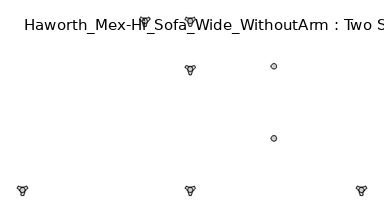
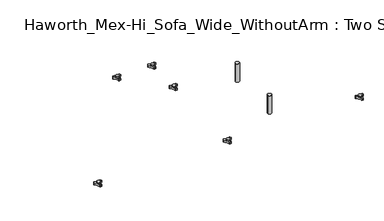
"""IFC4 building model written with IfcOpenShell, lengths in millimetres: furniture geometry, Haworth_Mex-Hi_Sofa_Wide_WithoutArm : Two Seat Sofa."""

from ifc_helpers import new_model, si_unit, point, frame, frame_2d, origin, origin_with_axes, place, context, project, spatial, polyline, circle_curve, trimmed, segment, composite_curve, outline, extrude, source, transform, mapped, element, save
from ifc_brep_helpers import plane_surface, cylinder_surface, revolved_surface, advanced_brep


def haworth_mex_hi_sofa_wide_withoutarm_two_seat_sofa_7cf23597(model_context):
    return source(origin(), model_context, "Body", "SolidModel", [
        advanced_brep(
        [(191.4388063, -633.9963447, 98.611642), (187.2162181, -641.3100819, 98.611642), (187.614167, -642.4761133, 98.611642), (203.4334377, -669.8758983, 98.611642), (204.2442712, -670.8035397, 98.611642), (212.6894498, -670.8035397, 98.611642), (213.493978, -669.7137583, 98.611642), (229.5962311, -642.2119553, 98.611642), (229.7175081, -641.3100836, 98.611642), (225.4949182, -633.9963432, 98.611642), (224.2861347, -633.7579584, 98.611642), (192.6475863, -633.7579584, 98.611642), (217.839737, -648.9168654, 98.611642), (198.9347251, -648.9168654, 98.611642), (191.4388063, -633.9963447, 88.6531552), (192.6475863, -633.7579584, 88.6531552), (224.2861347, -633.7579584, 88.6531552), (225.4949182, -633.9963432, 88.6531552), (229.7175081, -641.3100836, 88.6531552), (229.5962311, -642.2119553, 88.6531552), (213.493978, -669.7137583, 88.6531552), (212.6894498, -670.8035397, 88.6531552), (204.2442712, -670.8035397, 88.6531552), (203.4334377, -669.8758983, 88.6531552), (187.614167, -642.4761133, 88.6531552), (187.2162181, -641.3100819, 88.6531552), (198.9347251, -648.9168654, 103.6569541), (217.839737, -648.9168654, 103.6569541)],
        [
            (0, 1, circle_curve(frame((209.6982944, -649.4142898, 98.611642), z_axis=(0.0, 0.0, 1.0), x_axis=(1.0, 0.0, 0.0)), 23.8981576)),
            (1, 2, circle_curve(frame((188.1437767, -641.6444428, 98.611642), z_axis=(0.0, 0.0, 1.0), x_axis=(1.0, 0.0, 0.0)), 0.9859828)),
            (2, 3, circle_curve(frame((169.218797, -671.3632053, 98.611642), z_axis=(0.0, 0.0, -1.0), x_axis=(1.0, 0.0, 0.0)), 34.246952)),
            (3, 4, circle_curve(frame((204.4184811, -669.8330785, 98.611642), z_axis=(0.0, 0.0, 1.0), x_axis=(1.0, 0.0, 0.0)), 0.9859736)),
            (4, 5, circle_curve(frame((208.4668605, -647.2809943, 98.611642), z_axis=(0.0, 0.0, 1.0), x_axis=(1.0, 0.0, 0.0)), 23.8985439)),
            (5, 6, circle_curve(frame((212.5152379, -669.8330671, 98.611642), z_axis=(0.0, 0.0, 1.0), x_axis=(1.0, 0.0, 0.0)), 0.9859852)),
            (6, 7, circle_curve(frame((247.7156517, -671.285662, 98.611642), z_axis=(0.0, 0.0, -1.0), x_axis=(1.0, 0.0, 0.0)), 34.2577557)),
            (7, 8, circle_curve(frame((228.7899467, -641.644442, 98.611642), z_axis=(0.0, 0.0, 1.0), x_axis=(1.0, 0.0, 0.0)), 0.9859847)),
            (8, 9, circle_curve(frame((207.2358178, -649.4140667, 98.611642), z_axis=(0.0, 0.0, 1.0), x_axis=(1.0, 0.0, 0.0)), 23.8977184)),
            (9, 10, circle_curve(frame((224.7415719, -634.632458, 98.611642), z_axis=(0.0, 0.0, 1.0), x_axis=(1.0, 0.0, 0.0)), 0.9859881)),
            (10, 11, circle_curve(frame((208.4668605, -603.3828618, 98.611642), z_axis=(0.0, 0.0, -1.0), x_axis=(1.0, 0.0, 0.0)), 34.2475683)),
            (11, 0, circle_curve(frame((192.1921512, -634.632454, 98.611642), z_axis=(0.0, 0.0, 1.0), x_axis=(1.0, 0.0, 0.0)), 0.9859835)),
            (12, 13, circle_curve(frame((208.3872311, -648.9168654, 98.611642), z_axis=(0.0, 0.0, -1.0), x_axis=(1.0, 0.0, 0.0)), 9.452506)),
            (13, 12, circle_curve(frame((208.3872311, -648.9168654, 98.611642), z_axis=(0.0, 0.0, -1.0), x_axis=(1.0, 0.0, 0.0)), 9.452506)),
            (14, 15, circle_curve(frame((192.1921512, -634.632454, 88.6531552), z_axis=(0.0, 0.0, -1.0), x_axis=(1.0, 0.0, 0.0)), 0.9859835)),
            (15, 16, circle_curve(frame((208.4668605, -603.3828618, 88.6531552), z_axis=(0.0, 0.0, 1.0), x_axis=(1.0, 0.0, 0.0)), 34.2475683)),
            (16, 17, circle_curve(frame((224.7415719, -634.632458, 88.6531552), z_axis=(0.0, 0.0, -1.0), x_axis=(1.0, 0.0, 0.0)), 0.9859881)),
            (17, 18, circle_curve(frame((207.2358178, -649.4140667, 88.6531552), z_axis=(0.0, 0.0, -1.0), x_axis=(1.0, 0.0, 0.0)), 23.8977184)),
            (18, 19, circle_curve(frame((228.7899467, -641.644442, 88.6531552), z_axis=(0.0, 0.0, -1.0), x_axis=(1.0, 0.0, 0.0)), 0.9859847)),
            (19, 20, circle_curve(frame((247.7156517, -671.285662, 88.6531552), z_axis=(0.0, 0.0, 1.0), x_axis=(1.0, 0.0, 0.0)), 34.2577557)),
            (20, 21, circle_curve(frame((212.5152379, -669.8330671, 88.6531552), z_axis=(0.0, 0.0, -1.0), x_axis=(1.0, 0.0, 0.0)), 0.9859852)),
            (21, 22, circle_curve(frame((208.4668605, -647.2809943, 88.6531552), z_axis=(0.0, 0.0, -1.0), x_axis=(1.0, 0.0, 0.0)), 23.8985439)),
            (22, 23, circle_curve(frame((204.4184811, -669.8330785, 88.6531552), z_axis=(0.0, 0.0, -1.0), x_axis=(1.0, 0.0, 0.0)), 0.9859736)),
            (23, 24, circle_curve(frame((169.218797, -671.3632053, 88.6531552), z_axis=(0.0, 0.0, 1.0), x_axis=(1.0, 0.0, 0.0)), 34.246952)),
            (24, 25, circle_curve(frame((188.1437767, -641.6444428, 88.6531552), z_axis=(0.0, 0.0, -1.0), x_axis=(1.0, 0.0, 0.0)), 0.9859828)),
            (25, 14, circle_curve(frame((209.6982944, -649.4142898, 88.6531552), z_axis=(0.0, 0.0, -1.0), x_axis=(1.0, 0.0, 0.0)), 23.8981576)),
            (26, 27, circle_curve(frame((208.3872311, -648.9168654, 103.6569541), z_axis=(0.0, 0.0, 1.0), x_axis=(1.0, 0.0, 0.0)), 9.452506)),
            (27, 26, circle_curve(frame((208.3872311, -648.9168654, 103.6569541), z_axis=(0.0, 0.0, 1.0), x_axis=(1.0, 0.0, 0.0)), 9.452506)),
            (0, 14),
            (25, 1),
            (24, 2),
            (23, 3),
            (22, 4),
            (21, 5),
            (20, 6),
            (19, 7),
            (18, 8),
            (17, 9),
            (16, 10),
            (15, 11),
            (26, 13),
            (12, 27),
        ],
        [
            plane_surface(frame((233.596452, -649.4142898, 98.611642), z_axis=(0.0, 0.0, 1.0), x_axis=(0.0, 1.0, 0.0))),
            plane_surface(frame((233.596452, -649.4142898, 88.6531552), z_axis=(0.0, 0.0, -1.0), x_axis=(0.0, -1.0, 0.0))),
            plane_surface(frame((217.839737, -648.9168654, 103.6569541), z_axis=(0.0, 0.0, 1.0), x_axis=(0.0, 1.0, 0.0))),
            cylinder_surface(frame((209.6982944, -649.4142898, 88.6531552), z_axis=(0.0, 0.0, 1.0), x_axis=(1.0, 0.0, 0.0)), 23.8981576),
            cylinder_surface(frame((188.1437767, -641.6444428, 88.6531552), z_axis=(0.0, 0.0, 1.0), x_axis=(1.0, 0.0, 0.0)), 0.9859828),
            revolved_surface(polyline([(203.465749, -671.3632053, 88.6531552), (203.465749, -671.3632053, 98.611642)]), (169.218797, -671.3632053, 88.6531552), (0.0, 0.0, -1.0)),
            cylinder_surface(frame((204.4184811, -669.8330785, 88.6531552), z_axis=(0.0, 0.0, 1.0), x_axis=(1.0, 0.0, 0.0)), 0.9859736),
            cylinder_surface(frame((208.4668605, -647.2809943, 88.6531552), z_axis=(0.0, 0.0, 1.0), x_axis=(1.0, 0.0, 0.0)), 23.8985439),
            cylinder_surface(frame((212.5152379, -669.8330671, 88.6531552), z_axis=(0.0, 0.0, 1.0), x_axis=(1.0, 0.0, 0.0)), 0.9859852),
            revolved_surface(polyline([(281.9734074, -671.285662, 88.6531552), (281.9734074, -671.285662, 98.611642)]), (247.7156517, -671.285662, 88.6531552), (0.0, 0.0, -1.0)),
            cylinder_surface(frame((228.7899467, -641.644442, 88.6531552), z_axis=(0.0, 0.0, 1.0), x_axis=(1.0, 0.0, 0.0)), 0.9859847),
            cylinder_surface(frame((207.2358178, -649.4140667, 88.6531552), z_axis=(0.0, 0.0, 1.0), x_axis=(1.0, 0.0, 0.0)), 23.8977184),
            cylinder_surface(frame((224.7415719, -634.632458, 88.6531552), z_axis=(0.0, 0.0, 1.0), x_axis=(1.0, 0.0, 0.0)), 0.9859881),
            revolved_surface(polyline([(242.7144288, -603.3828618, 88.6531552), (242.7144288, -603.3828618, 98.611642)]), (208.4668605, -603.3828618, 88.6531552), (0.0, 0.0, -1.0)),
            cylinder_surface(frame((192.1921512, -634.632454, 88.6531552), z_axis=(0.0, 0.0, 1.0), x_axis=(1.0, 0.0, 0.0)), 0.9859835),
            cylinder_surface(frame((208.3872311, -648.9168654, 98.611642), z_axis=(0.0, 0.0, 1.0), x_axis=(1.0, 0.0, 0.0)), 9.452506),
        ],
        [
            (0, [[1, 2, 3, 4, 5, 6, 7, 8, 9, 10, 11, 12], [13, 14]]),
            (1, [[15, 16, 17, 18, 19, 20, 21, 22, 23, 24, 25, 26]]),
            (2, [[27, 28]]),
            (3, [[-1, 29, -26, 30]]),
            (4, [[-2, -30, -25, 31]]),
            (5, [[-3, -31, -24, 32]]),
            (6, [[-4, -32, -23, 33]]),
            (7, [[-5, -33, -22, 34]]),
            (8, [[-6, -34, -21, 35]]),
            (9, [[-7, -35, -20, 36]]),
            (10, [[-8, -36, -19, 37]]),
            (11, [[-9, -37, -18, 38]]),
            (12, [[-10, -38, -17, 39]]),
            (13, [[-11, -39, -16, 40]]),
            (14, [[-12, -40, -15, -29]]),
            (15, [[-27, 41, -13, 42]]),
            (15, [[-28, -42, -14, -41]]),
        ],
    ),
        advanced_brep(
        [(-519.7611937, -633.9963447, 98.611642), (-523.9837819, -641.3100819, 98.611642), (-523.585833, -642.4761133, 98.611642), (-507.7665623, -669.8758983, 98.611642), (-506.9557288, -670.8035397, 98.611642), (-498.5105502, -670.8035397, 98.611642), (-497.706022, -669.7137583, 98.611642), (-481.6037689, -642.2119553, 98.611642), (-481.4824919, -641.3100836, 98.611642), (-485.7050818, -633.9963432, 98.611642), (-486.9138653, -633.7579584, 98.611642), (-518.5524137, -633.7579584, 98.611642), (-493.360263, -648.9168654, 98.611642), (-512.2652749, -648.9168654, 98.611642), (-519.7611937, -633.9963447, 88.6531552), (-518.5524137, -633.7579584, 88.6531552), (-486.9138653, -633.7579584, 88.6531552), (-485.7050818, -633.9963432, 88.6531552), (-481.4824919, -641.3100836, 88.6531552), (-481.6037689, -642.2119553, 88.6531552), (-497.706022, -669.7137583, 88.6531552), (-498.5105502, -670.8035397, 88.6531552), (-506.9557288, -670.8035397, 88.6531552), (-507.7665623, -669.8758983, 88.6531552), (-523.585833, -642.4761133, 88.6531552), (-523.9837819, -641.3100819, 88.6531552), (-512.2652749, -648.9168654, 103.6569541), (-493.360263, -648.9168654, 103.6569541)],
        [
            (0, 1, circle_curve(frame((-501.5017056, -649.4142898, 98.611642), z_axis=(0.0, 0.0, 1.0), x_axis=(1.0, 0.0, 0.0)), 23.8981576)),
            (1, 2, circle_curve(frame((-523.0562233, -641.6444428, 98.611642), z_axis=(0.0, 0.0, 1.0), x_axis=(1.0, 0.0, 0.0)), 0.9859828)),
            (2, 3, circle_curve(frame((-541.981203, -671.3632053, 98.611642), z_axis=(0.0, 0.0, -1.0), x_axis=(1.0, 0.0, 0.0)), 34.246952)),
            (3, 4, circle_curve(frame((-506.7815189, -669.8330785, 98.611642), z_axis=(0.0, 0.0, 1.0), x_axis=(1.0, 0.0, 0.0)), 0.9859736)),
            (4, 5, circle_curve(frame((-502.7331395, -647.2809943, 98.611642), z_axis=(0.0, 0.0, 1.0), x_axis=(1.0, 0.0, 0.0)), 23.8985439)),
            (5, 6, circle_curve(frame((-498.6847621, -669.8330671, 98.611642), z_axis=(0.0, 0.0, 1.0), x_axis=(1.0, 0.0, 0.0)), 0.9859852)),
            (6, 7, circle_curve(frame((-463.4843483, -671.285662, 98.611642), z_axis=(0.0, 0.0, -1.0), x_axis=(1.0, 0.0, 0.0)), 34.2577557)),
            (7, 8, circle_curve(frame((-482.4100533, -641.644442, 98.611642), z_axis=(0.0, 0.0, 1.0), x_axis=(1.0, 0.0, 0.0)), 0.9859847)),
            (8, 9, circle_curve(frame((-503.9641822, -649.4140667, 98.611642), z_axis=(0.0, 0.0, 1.0), x_axis=(1.0, 0.0, 0.0)), 23.8977184)),
            (9, 10, circle_curve(frame((-486.4584281, -634.632458, 98.611642), z_axis=(0.0, 0.0, 1.0), x_axis=(1.0, 0.0, 0.0)), 0.9859881)),
            (10, 11, circle_curve(frame((-502.7331395, -603.3828618, 98.611642), z_axis=(0.0, 0.0, -1.0), x_axis=(1.0, 0.0, 0.0)), 34.2475683)),
            (11, 0, circle_curve(frame((-519.0078488, -634.632454, 98.611642), z_axis=(0.0, 0.0, 1.0), x_axis=(1.0, 0.0, 0.0)), 0.9859835)),
            (12, 13, circle_curve(frame((-502.8127689, -648.9168654, 98.611642), z_axis=(0.0, 0.0, -1.0), x_axis=(1.0, 0.0, 0.0)), 9.452506)),
            (13, 12, circle_curve(frame((-502.8127689, -648.9168654, 98.611642), z_axis=(0.0, 0.0, -1.0), x_axis=(1.0, 0.0, 0.0)), 9.452506)),
            (14, 15, circle_curve(frame((-519.0078488, -634.632454, 88.6531552), z_axis=(0.0, 0.0, -1.0), x_axis=(1.0, 0.0, 0.0)), 0.9859835)),
            (15, 16, circle_curve(frame((-502.7331395, -603.3828618, 88.6531552), z_axis=(0.0, 0.0, 1.0), x_axis=(1.0, 0.0, 0.0)), 34.2475683)),
            (16, 17, circle_curve(frame((-486.4584281, -634.632458, 88.6531552), z_axis=(0.0, 0.0, -1.0), x_axis=(1.0, 0.0, 0.0)), 0.9859881)),
            (17, 18, circle_curve(frame((-503.9641822, -649.4140667, 88.6531552), z_axis=(0.0, 0.0, -1.0), x_axis=(1.0, 0.0, 0.0)), 23.8977184)),
            (18, 19, circle_curve(frame((-482.4100533, -641.644442, 88.6531552), z_axis=(0.0, 0.0, -1.0), x_axis=(1.0, 0.0, 0.0)), 0.9859847)),
            (19, 20, circle_curve(frame((-463.4843483, -671.285662, 88.6531552), z_axis=(0.0, 0.0, 1.0), x_axis=(1.0, 0.0, 0.0)), 34.2577557)),
            (20, 21, circle_curve(frame((-498.6847621, -669.8330671, 88.6531552), z_axis=(0.0, 0.0, -1.0), x_axis=(1.0, 0.0, 0.0)), 0.9859852)),
            (21, 22, circle_curve(frame((-502.7331395, -647.2809943, 88.6531552), z_axis=(0.0, 0.0, -1.0), x_axis=(1.0, 0.0, 0.0)), 23.8985439)),
            (22, 23, circle_curve(frame((-506.7815189, -669.8330785, 88.6531552), z_axis=(0.0, 0.0, -1.0), x_axis=(1.0, 0.0, 0.0)), 0.9859736)),
            (23, 24, circle_curve(frame((-541.981203, -671.3632053, 88.6531552), z_axis=(0.0, 0.0, 1.0), x_axis=(1.0, 0.0, 0.0)), 34.246952)),
            (24, 25, circle_curve(frame((-523.0562233, -641.6444428, 88.6531552), z_axis=(0.0, 0.0, -1.0), x_axis=(1.0, 0.0, 0.0)), 0.9859828)),
            (25, 14, circle_curve(frame((-501.5017056, -649.4142898, 88.6531552), z_axis=(0.0, 0.0, -1.0), x_axis=(1.0, 0.0, 0.0)), 23.8981576)),
            (26, 27, circle_curve(frame((-502.8127689, -648.9168654, 103.6569541), z_axis=(0.0, 0.0, 1.0), x_axis=(1.0, 0.0, 0.0)), 9.452506)),
            (27, 26, circle_curve(frame((-502.8127689, -648.9168654, 103.6569541), z_axis=(0.0, 0.0, 1.0), x_axis=(1.0, 0.0, 0.0)), 9.452506)),
            (0, 14),
            (25, 1),
            (24, 2),
            (23, 3),
            (22, 4),
            (21, 5),
            (20, 6),
            (19, 7),
            (18, 8),
            (17, 9),
            (16, 10),
            (15, 11),
            (26, 13),
            (12, 27),
        ],
        [
            plane_surface(frame((-477.603548, -649.4142898, 98.611642), z_axis=(0.0, 0.0, 1.0), x_axis=(0.0, 1.0, 0.0))),
            plane_surface(frame((-477.603548, -649.4142898, 88.6531552), z_axis=(0.0, 0.0, -1.0), x_axis=(0.0, -1.0, 0.0))),
            plane_surface(frame((-493.360263, -648.9168654, 103.6569541), z_axis=(0.0, 0.0, 1.0), x_axis=(0.0, 1.0, 0.0))),
            cylinder_surface(frame((-501.5017056, -649.4142898, 88.6531552), z_axis=(0.0, 0.0, 1.0), x_axis=(1.0, 0.0, 0.0)), 23.8981576),
            cylinder_surface(frame((-523.0562233, -641.6444428, 88.6531552), z_axis=(0.0, 0.0, 1.0), x_axis=(1.0, 0.0, 0.0)), 0.9859828),
            revolved_surface(polyline([(-507.73425100000003, -671.3632053, 88.6531552), (-507.73425100000003, -671.3632053, 98.611642)]), (-541.981203, -671.3632053, 88.6531552), (0.0, 0.0, -1.0)),
            cylinder_surface(frame((-506.7815189, -669.8330785, 88.6531552), z_axis=(0.0, 0.0, 1.0), x_axis=(1.0, 0.0, 0.0)), 0.9859736),
            cylinder_surface(frame((-502.7331395, -647.2809943, 88.6531552), z_axis=(0.0, 0.0, 1.0), x_axis=(1.0, 0.0, 0.0)), 23.8985439),
            cylinder_surface(frame((-498.6847621, -669.8330671, 88.6531552), z_axis=(0.0, 0.0, 1.0), x_axis=(1.0, 0.0, 0.0)), 0.9859852),
            revolved_surface(polyline([(-429.2265926, -671.285662, 88.6531552), (-429.2265926, -671.285662, 98.611642)]), (-463.4843483, -671.285662, 88.6531552), (0.0, 0.0, -1.0)),
            cylinder_surface(frame((-482.4100533, -641.644442, 88.6531552), z_axis=(0.0, 0.0, 1.0), x_axis=(1.0, 0.0, 0.0)), 0.9859847),
            cylinder_surface(frame((-503.9641822, -649.4140667, 88.6531552), z_axis=(0.0, 0.0, 1.0), x_axis=(1.0, 0.0, 0.0)), 23.8977184),
            cylinder_surface(frame((-486.4584281, -634.632458, 88.6531552), z_axis=(0.0, 0.0, 1.0), x_axis=(1.0, 0.0, 0.0)), 0.9859881),
            revolved_surface(polyline([(-468.4855712, -603.3828618, 88.6531552), (-468.4855712, -603.3828618, 98.611642)]), (-502.7331395, -603.3828618, 88.6531552), (0.0, 0.0, -1.0)),
            cylinder_surface(frame((-519.0078488, -634.632454, 88.6531552), z_axis=(0.0, 0.0, 1.0), x_axis=(1.0, 0.0, 0.0)), 0.9859835),
            cylinder_surface(frame((-502.8127689, -648.9168654, 98.611642), z_axis=(0.0, 0.0, 1.0), x_axis=(1.0, 0.0, 0.0)), 9.452506),
        ],
        [
            (0, [[1, 2, 3, 4, 5, 6, 7, 8, 9, 10, 11, 12], [13, 14]]),
            (1, [[15, 16, 17, 18, 19, 20, 21, 22, 23, 24, 25, 26]]),
            (2, [[27, 28]]),
            (3, [[-1, 29, -26, 30]]),
            (4, [[-2, -30, -25, 31]]),
            (5, [[-3, -31, -24, 32]]),
            (6, [[-4, -32, -23, 33]]),
            (7, [[-5, -33, -22, 34]]),
            (8, [[-6, -34, -21, 35]]),
            (9, [[-7, -35, -20, 36]]),
            (10, [[-8, -36, -19, 37]]),
            (11, [[-9, -37, -18, 38]]),
            (12, [[-10, -38, -17, 39]]),
            (13, [[-11, -39, -16, 40]]),
            (14, [[-12, -40, -15, -29]]),
            (15, [[-27, 41, -13, 42]]),
            (15, [[-28, -42, -14, -41]]),
        ],
    ),
        advanced_brep(
        [(-519.7611937, -130.2721038, 98.611642), (-523.9837819, -137.585841, 98.611642), (-523.585833, -138.7518724, 98.611642), (-507.7665623, -166.1516574, 98.611642), (-506.9557288, -167.0792988, 98.611642), (-498.5105502, -167.0792988, 98.611642), (-497.706022, -165.9895174, 98.611642), (-481.6037689, -138.4877144, 98.611642), (-481.4824919, -137.5858427, 98.611642), (-485.7050818, -130.2721023, 98.611642), (-486.9138653, -130.0337175, 98.611642), (-518.5524137, -130.0337175, 98.611642), (-493.360263, -145.1926245, 98.611642), (-512.2652749, -145.1926245, 98.611642), (-519.7611937, -130.2721038, 88.6531552), (-518.5524137, -130.0337175, 88.6531552), (-486.9138653, -130.0337175, 88.6531552), (-485.7050818, -130.2721023, 88.6531552), (-481.4824919, -137.5858427, 88.6531552), (-481.6037689, -138.4877144, 88.6531552), (-497.706022, -165.9895174, 88.6531552), (-498.5105502, -167.0792988, 88.6531552), (-506.9557288, -167.0792988, 88.6531552), (-507.7665623, -166.1516574, 88.6531552), (-523.585833, -138.7518724, 88.6531552), (-523.9837819, -137.585841, 88.6531552), (-512.2652749, -145.1926245, 103.6569541), (-493.360263, -145.1926245, 103.6569541)],
        [
            (0, 1, circle_curve(frame((-501.5017056, -145.690049, 98.611642), z_axis=(0.0, 0.0, 1.0), x_axis=(1.0, 0.0, 0.0)), 23.8981576)),
            (1, 2, circle_curve(frame((-523.0562233, -137.920202, 98.611642), z_axis=(0.0, 0.0, 1.0), x_axis=(1.0, 0.0, 0.0)), 0.9859828)),
            (2, 3, circle_curve(frame((-541.981203, -167.6389644, 98.611642), z_axis=(0.0, 0.0, -1.0), x_axis=(1.0, 0.0, 0.0)), 34.246952)),
            (3, 4, circle_curve(frame((-506.7815189, -166.1088376, 98.611642), z_axis=(0.0, 0.0, 1.0), x_axis=(1.0, 0.0, 0.0)), 0.9859736)),
            (4, 5, circle_curve(frame((-502.7331395, -143.5567534, 98.611642), z_axis=(0.0, 0.0, 1.0), x_axis=(1.0, 0.0, 0.0)), 23.8985439)),
            (5, 6, circle_curve(frame((-498.6847621, -166.1088262, 98.611642), z_axis=(0.0, 0.0, 1.0), x_axis=(1.0, 0.0, 0.0)), 0.9859852)),
            (6, 7, circle_curve(frame((-463.4843483, -167.5614211, 98.611642), z_axis=(0.0, 0.0, -1.0), x_axis=(1.0, 0.0, 0.0)), 34.2577557)),
            (7, 8, circle_curve(frame((-482.4100533, -137.9202011, 98.611642), z_axis=(0.0, 0.0, 1.0), x_axis=(1.0, 0.0, 0.0)), 0.9859847)),
            (8, 9, circle_curve(frame((-503.9641822, -145.6898258, 98.611642), z_axis=(0.0, 0.0, 1.0), x_axis=(1.0, 0.0, 0.0)), 23.8977184)),
            (9, 10, circle_curve(frame((-486.4584281, -130.9082171, 98.611642), z_axis=(0.0, 0.0, 1.0), x_axis=(1.0, 0.0, 0.0)), 0.9859881)),
            (10, 11, circle_curve(frame((-502.7331395, -99.6586209, 98.611642), z_axis=(0.0, 0.0, -1.0), x_axis=(1.0, 0.0, 0.0)), 34.2475683)),
            (11, 0, circle_curve(frame((-519.0078488, -130.9082131, 98.611642), z_axis=(0.0, 0.0, 1.0), x_axis=(1.0, 0.0, 0.0)), 0.9859835)),
            (12, 13, circle_curve(frame((-502.8127689, -145.1926245, 98.611642), z_axis=(0.0, 0.0, -1.0), x_axis=(1.0, 0.0, 0.0)), 9.452506)),
            (13, 12, circle_curve(frame((-502.8127689, -145.1926245, 98.611642), z_axis=(0.0, 0.0, -1.0), x_axis=(1.0, 0.0, 0.0)), 9.452506)),
            (14, 15, circle_curve(frame((-519.0078488, -130.9082131, 88.6531552), z_axis=(0.0, 0.0, -1.0), x_axis=(1.0, 0.0, 0.0)), 0.9859835)),
            (15, 16, circle_curve(frame((-502.7331395, -99.6586209, 88.6531552), z_axis=(0.0, 0.0, 1.0), x_axis=(1.0, 0.0, 0.0)), 34.2475683)),
            (16, 17, circle_curve(frame((-486.4584281, -130.9082171, 88.6531552), z_axis=(0.0, 0.0, -1.0), x_axis=(1.0, 0.0, 0.0)), 0.9859881)),
            (17, 18, circle_curve(frame((-503.9641822, -145.6898258, 88.6531552), z_axis=(0.0, 0.0, -1.0), x_axis=(1.0, 0.0, 0.0)), 23.8977184)),
            (18, 19, circle_curve(frame((-482.4100533, -137.9202011, 88.6531552), z_axis=(0.0, 0.0, -1.0), x_axis=(1.0, 0.0, 0.0)), 0.9859847)),
            (19, 20, circle_curve(frame((-463.4843483, -167.5614211, 88.6531552), z_axis=(0.0, 0.0, 1.0), x_axis=(1.0, 0.0, 0.0)), 34.2577557)),
            (20, 21, circle_curve(frame((-498.6847621, -166.1088262, 88.6531552), z_axis=(0.0, 0.0, -1.0), x_axis=(1.0, 0.0, 0.0)), 0.9859852)),
            (21, 22, circle_curve(frame((-502.7331395, -143.5567534, 88.6531552), z_axis=(0.0, 0.0, -1.0), x_axis=(1.0, 0.0, 0.0)), 23.8985439)),
            (22, 23, circle_curve(frame((-506.7815189, -166.1088376, 88.6531552), z_axis=(0.0, 0.0, -1.0), x_axis=(1.0, 0.0, 0.0)), 0.9859736)),
            (23, 24, circle_curve(frame((-541.981203, -167.6389644, 88.6531552), z_axis=(0.0, 0.0, 1.0), x_axis=(1.0, 0.0, 0.0)), 34.246952)),
            (24, 25, circle_curve(frame((-523.0562233, -137.920202, 88.6531552), z_axis=(0.0, 0.0, -1.0), x_axis=(1.0, 0.0, 0.0)), 0.9859828)),
            (25, 14, circle_curve(frame((-501.5017056, -145.690049, 88.6531552), z_axis=(0.0, 0.0, -1.0), x_axis=(1.0, 0.0, 0.0)), 23.8981576)),
            (26, 27, circle_curve(frame((-502.8127689, -145.1926245, 103.6569541), z_axis=(0.0, 0.0, 1.0), x_axis=(1.0, 0.0, 0.0)), 9.452506)),
            (27, 26, circle_curve(frame((-502.8127689, -145.1926245, 103.6569541), z_axis=(0.0, 0.0, 1.0), x_axis=(1.0, 0.0, 0.0)), 9.452506)),
            (0, 14),
            (25, 1),
            (24, 2),
            (23, 3),
            (22, 4),
            (21, 5),
            (20, 6),
            (19, 7),
            (18, 8),
            (17, 9),
            (16, 10),
            (15, 11),
            (26, 13),
            (12, 27),
        ],
        [
            plane_surface(frame((-477.603548, -145.690049, 98.611642), z_axis=(0.0, 0.0, 1.0), x_axis=(0.0, 1.0, 0.0))),
            plane_surface(frame((-477.603548, -145.690049, 88.6531552), z_axis=(0.0, 0.0, -1.0), x_axis=(0.0, -1.0, 0.0))),
            plane_surface(frame((-493.360263, -145.1926245, 103.6569541), z_axis=(0.0, 0.0, 1.0), x_axis=(0.0, 1.0, 0.0))),
            cylinder_surface(frame((-501.5017056, -145.690049, 88.6531552), z_axis=(0.0, 0.0, 1.0), x_axis=(1.0, 0.0, 0.0)), 23.8981576),
            cylinder_surface(frame((-523.0562233, -137.920202, 88.6531552), z_axis=(0.0, 0.0, 1.0), x_axis=(1.0, 0.0, 0.0)), 0.9859828),
            revolved_surface(polyline([(-507.73425100000003, -167.6389644, 88.6531552), (-507.73425100000003, -167.6389644, 98.611642)]), (-541.981203, -167.6389644, 88.6531552), (0.0, 0.0, -1.0)),
            cylinder_surface(frame((-506.7815189, -166.1088376, 88.6531552), z_axis=(0.0, 0.0, 1.0), x_axis=(1.0, 0.0, 0.0)), 0.9859736),
            cylinder_surface(frame((-502.7331395, -143.5567534, 88.6531552), z_axis=(0.0, 0.0, 1.0), x_axis=(1.0, 0.0, 0.0)), 23.8985439),
            cylinder_surface(frame((-498.6847621, -166.1088262, 88.6531552), z_axis=(0.0, 0.0, 1.0), x_axis=(1.0, 0.0, 0.0)), 0.9859852),
            revolved_surface(polyline([(-429.2265926, -167.5614211, 88.6531552), (-429.2265926, -167.5614211, 98.611642)]), (-463.4843483, -167.5614211, 88.6531552), (0.0, 0.0, -1.0)),
            cylinder_surface(frame((-482.4100533, -137.9202011, 88.6531552), z_axis=(0.0, 0.0, 1.0), x_axis=(1.0, 0.0, 0.0)), 0.9859847),
            cylinder_surface(frame((-503.9641822, -145.6898258, 88.6531552), z_axis=(0.0, 0.0, 1.0), x_axis=(1.0, 0.0, 0.0)), 23.8977184),
            cylinder_surface(frame((-486.4584281, -130.9082171, 88.6531552), z_axis=(0.0, 0.0, 1.0), x_axis=(1.0, 0.0, 0.0)), 0.9859881),
            revolved_surface(polyline([(-468.4855712, -99.6586209, 88.6531552), (-468.4855712, -99.6586209, 98.611642)]), (-502.7331395, -99.6586209, 88.6531552), (0.0, 0.0, -1.0)),
            cylinder_surface(frame((-519.0078488, -130.9082131, 88.6531552), z_axis=(0.0, 0.0, 1.0), x_axis=(1.0, 0.0, 0.0)), 0.9859835),
            cylinder_surface(frame((-502.8127689, -145.1926245, 98.611642), z_axis=(0.0, 0.0, 1.0), x_axis=(1.0, 0.0, 0.0)), 9.452506),
        ],
        [
            (0, [[1, 2, 3, 4, 5, 6, 7, 8, 9, 10, 11, 12], [13, 14]]),
            (1, [[15, 16, 17, 18, 19, 20, 21, 22, 23, 24, 25, 26]]),
            (2, [[27, 28]]),
            (3, [[-1, 29, -26, 30]]),
            (4, [[-2, -30, -25, 31]]),
            (5, [[-3, -31, -24, 32]]),
            (6, [[-4, -32, -23, 33]]),
            (7, [[-5, -33, -22, 34]]),
            (8, [[-6, -34, -21, 35]]),
            (9, [[-7, -35, -20, 36]]),
            (10, [[-8, -36, -19, 37]]),
            (11, [[-9, -37, -18, 38]]),
            (12, [[-10, -38, -17, 39]]),
            (13, [[-11, -39, -16, 40]]),
            (14, [[-12, -40, -15, -29]]),
            (15, [[-27, 41, -13, 42]]),
            (15, [[-28, -42, -14, -41]]),
        ],
    ),
        advanced_brep(
        [(-519.7611937, 69.7278978, 98.611642), (-523.9837819, 62.4141605, 98.611642), (-523.585833, 61.2481292, 98.611642), (-507.7665623, 33.8483441, 98.611642), (-506.9557288, 32.9207027, 98.611642), (-498.5105502, 32.9207027, 98.611642), (-497.706022, 34.0104841, 98.611642), (-481.6037689, 61.5122871, 98.611642), (-481.4824919, 62.4141588, 98.611642), (-485.7050818, 69.7278992, 98.611642), (-486.9138653, 69.966284, 98.611642), (-518.5524137, 69.966284, 98.611642), (-493.360263, 54.807377, 98.611642), (-512.2652749, 54.807377, 98.611642), (-519.7611937, 69.7278978, 88.6531552), (-518.5524137, 69.966284, 88.6531552), (-486.9138653, 69.966284, 88.6531552), (-485.7050818, 69.7278992, 88.6531552), (-481.4824919, 62.4141588, 88.6531552), (-481.6037689, 61.5122871, 88.6531552), (-497.706022, 34.0104841, 88.6531552), (-498.5105502, 32.9207027, 88.6531552), (-506.9557288, 32.9207027, 88.6531552), (-507.7665623, 33.8483441, 88.6531552), (-523.585833, 61.2481292, 88.6531552), (-523.9837819, 62.4141605, 88.6531552), (-512.2652749, 54.807377, 103.6569541), (-493.360263, 54.807377, 103.6569541)],
        [
            (0, 1, circle_curve(frame((-501.5017056, 54.3099526, 98.611642), z_axis=(0.0, 0.0, 1.0), x_axis=(1.0, 0.0, 0.0)), 23.8981576)),
            (1, 2, circle_curve(frame((-523.0562233, 62.0797996, 98.611642), z_axis=(0.0, 0.0, 1.0), x_axis=(1.0, 0.0, 0.0)), 0.9859828)),
            (2, 3, circle_curve(frame((-541.981203, 32.3610372, 98.611642), z_axis=(0.0, 0.0, -1.0), x_axis=(1.0, 0.0, 0.0)), 34.246952)),
            (3, 4, circle_curve(frame((-506.7815189, 33.8911639, 98.611642), z_axis=(0.0, 0.0, 1.0), x_axis=(1.0, 0.0, 0.0)), 0.9859736)),
            (4, 5, circle_curve(frame((-502.7331395, 56.4432481, 98.611642), z_axis=(0.0, 0.0, 1.0), x_axis=(1.0, 0.0, 0.0)), 23.8985439)),
            (5, 6, circle_curve(frame((-498.6847621, 33.8911753, 98.611642), z_axis=(0.0, 0.0, 1.0), x_axis=(1.0, 0.0, 0.0)), 0.9859852)),
            (6, 7, circle_curve(frame((-463.4843483, 32.4385804, 98.611642), z_axis=(0.0, 0.0, -1.0), x_axis=(1.0, 0.0, 0.0)), 34.2577557)),
            (7, 8, circle_curve(frame((-482.4100533, 62.0798004, 98.611642), z_axis=(0.0, 0.0, 1.0), x_axis=(1.0, 0.0, 0.0)), 0.9859847)),
            (8, 9, circle_curve(frame((-503.9641822, 54.3101757, 98.611642), z_axis=(0.0, 0.0, 1.0), x_axis=(1.0, 0.0, 0.0)), 23.8977184)),
            (9, 10, circle_curve(frame((-486.4584281, 69.0917844, 98.611642), z_axis=(0.0, 0.0, 1.0), x_axis=(1.0, 0.0, 0.0)), 0.9859881)),
            (10, 11, circle_curve(frame((-502.7331395, 100.3413806, 98.611642), z_axis=(0.0, 0.0, -1.0), x_axis=(1.0, 0.0, 0.0)), 34.2475683)),
            (11, 0, circle_curve(frame((-519.0078488, 69.0917885, 98.611642), z_axis=(0.0, 0.0, 1.0), x_axis=(1.0, 0.0, 0.0)), 0.9859835)),
            (12, 13, circle_curve(frame((-502.8127689, 54.807377, 98.611642), z_axis=(0.0, 0.0, -1.0), x_axis=(1.0, 0.0, 0.0)), 9.452506)),
            (13, 12, circle_curve(frame((-502.8127689, 54.807377, 98.611642), z_axis=(0.0, 0.0, -1.0), x_axis=(1.0, 0.0, 0.0)), 9.452506)),
            (14, 15, circle_curve(frame((-519.0078488, 69.0917885, 88.6531552), z_axis=(0.0, 0.0, -1.0), x_axis=(1.0, 0.0, 0.0)), 0.9859835)),
            (15, 16, circle_curve(frame((-502.7331395, 100.3413806, 88.6531552), z_axis=(0.0, 0.0, 1.0), x_axis=(1.0, 0.0, 0.0)), 34.2475683)),
            (16, 17, circle_curve(frame((-486.4584281, 69.0917844, 88.6531552), z_axis=(0.0, 0.0, -1.0), x_axis=(1.0, 0.0, 0.0)), 0.9859881)),
            (17, 18, circle_curve(frame((-503.9641822, 54.3101757, 88.6531552), z_axis=(0.0, 0.0, -1.0), x_axis=(1.0, 0.0, 0.0)), 23.8977184)),
            (18, 19, circle_curve(frame((-482.4100533, 62.0798004, 88.6531552), z_axis=(0.0, 0.0, -1.0), x_axis=(1.0, 0.0, 0.0)), 0.9859847)),
            (19, 20, circle_curve(frame((-463.4843483, 32.4385804, 88.6531552), z_axis=(0.0, 0.0, 1.0), x_axis=(1.0, 0.0, 0.0)), 34.2577557)),
            (20, 21, circle_curve(frame((-498.6847621, 33.8911753, 88.6531552), z_axis=(0.0, 0.0, -1.0), x_axis=(1.0, 0.0, 0.0)), 0.9859852)),
            (21, 22, circle_curve(frame((-502.7331395, 56.4432481, 88.6531552), z_axis=(0.0, 0.0, -1.0), x_axis=(1.0, 0.0, 0.0)), 23.8985439)),
            (22, 23, circle_curve(frame((-506.7815189, 33.8911639, 88.6531552), z_axis=(0.0, 0.0, -1.0), x_axis=(1.0, 0.0, 0.0)), 0.9859736)),
            (23, 24, circle_curve(frame((-541.981203, 32.3610372, 88.6531552), z_axis=(0.0, 0.0, 1.0), x_axis=(1.0, 0.0, 0.0)), 34.246952)),
            (24, 25, circle_curve(frame((-523.0562233, 62.0797996, 88.6531552), z_axis=(0.0, 0.0, -1.0), x_axis=(1.0, 0.0, 0.0)), 0.9859828)),
            (25, 14, circle_curve(frame((-501.5017056, 54.3099526, 88.6531552), z_axis=(0.0, 0.0, -1.0), x_axis=(1.0, 0.0, 0.0)), 23.8981576)),
            (26, 27, circle_curve(frame((-502.8127689, 54.807377, 103.6569541), z_axis=(0.0, 0.0, 1.0), x_axis=(1.0, 0.0, 0.0)), 9.452506)),
            (27, 26, circle_curve(frame((-502.8127689, 54.807377, 103.6569541), z_axis=(0.0, 0.0, 1.0), x_axis=(1.0, 0.0, 0.0)), 9.452506)),
            (0, 14),
            (25, 1),
            (24, 2),
            (23, 3),
            (22, 4),
            (21, 5),
            (20, 6),
            (19, 7),
            (18, 8),
            (17, 9),
            (16, 10),
            (15, 11),
            (26, 13),
            (12, 27),
        ],
        [
            plane_surface(frame((-477.603548, 54.3099526, 98.611642), z_axis=(0.0, 0.0, 1.0), x_axis=(0.0, 1.0, 0.0))),
            plane_surface(frame((-477.603548, 54.3099526, 88.6531552), z_axis=(0.0, 0.0, -1.0), x_axis=(0.0, -1.0, 0.0))),
            plane_surface(frame((-493.360263, 54.807377, 103.6569541), z_axis=(0.0, 0.0, 1.0), x_axis=(0.0, 1.0, 0.0))),
            cylinder_surface(frame((-501.5017056, 54.3099526, 88.6531552), z_axis=(0.0, 0.0, 1.0), x_axis=(1.0, 0.0, 0.0)), 23.8981576),
            cylinder_surface(frame((-523.0562233, 62.0797996, 88.6531552), z_axis=(0.0, 0.0, 1.0), x_axis=(1.0, 0.0, 0.0)), 0.9859828),
            revolved_surface(polyline([(-507.73425100000003, 32.3610372, 88.6531552), (-507.73425100000003, 32.3610372, 98.611642)]), (-541.981203, 32.3610372, 88.6531552), (0.0, 0.0, -1.0)),
            cylinder_surface(frame((-506.7815189, 33.8911639, 88.6531552), z_axis=(0.0, 0.0, 1.0), x_axis=(1.0, 0.0, 0.0)), 0.9859736),
            cylinder_surface(frame((-502.7331395, 56.4432481, 88.6531552), z_axis=(0.0, 0.0, 1.0), x_axis=(1.0, 0.0, 0.0)), 23.8985439),
            cylinder_surface(frame((-498.6847621, 33.8911753, 88.6531552), z_axis=(0.0, 0.0, 1.0), x_axis=(1.0, 0.0, 0.0)), 0.9859852),
            revolved_surface(polyline([(-429.2265926, 32.4385804, 88.6531552), (-429.2265926, 32.4385804, 98.611642)]), (-463.4843483, 32.4385804, 88.6531552), (0.0, 0.0, -1.0)),
            cylinder_surface(frame((-482.4100533, 62.0798004, 88.6531552), z_axis=(0.0, 0.0, 1.0), x_axis=(1.0, 0.0, 0.0)), 0.9859847),
            cylinder_surface(frame((-503.9641822, 54.3101757, 88.6531552), z_axis=(0.0, 0.0, 1.0), x_axis=(1.0, 0.0, 0.0)), 23.8977184),
            cylinder_surface(frame((-486.4584281, 69.0917844, 88.6531552), z_axis=(0.0, 0.0, 1.0), x_axis=(1.0, 0.0, 0.0)), 0.9859881),
            revolved_surface(polyline([(-468.4855712, 100.3413806, 88.6531552), (-468.4855712, 100.3413806, 98.611642)]), (-502.7331395, 100.3413806, 88.6531552), (0.0, 0.0, -1.0)),
            cylinder_surface(frame((-519.0078488, 69.0917885, 88.6531552), z_axis=(0.0, 0.0, 1.0), x_axis=(1.0, 0.0, 0.0)), 0.9859835),
            cylinder_surface(frame((-502.8127689, 54.807377, 98.611642), z_axis=(0.0, 0.0, 1.0), x_axis=(1.0, 0.0, 0.0)), 9.452506),
        ],
        [
            (0, [[1, 2, 3, 4, 5, 6, 7, 8, 9, 10, 11, 12], [13, 14]]),
            (1, [[15, 16, 17, 18, 19, 20, 21, 22, 23, 24, 25, 26]]),
            (2, [[27, 28]]),
            (3, [[-1, 29, -26, 30]]),
            (4, [[-2, -30, -25, 31]]),
            (5, [[-3, -31, -24, 32]]),
            (6, [[-4, -32, -23, 33]]),
            (7, [[-5, -33, -22, 34]]),
            (8, [[-6, -34, -21, 35]]),
            (9, [[-7, -35, -20, 36]]),
            (10, [[-8, -36, -19, 37]]),
            (11, [[-9, -37, -18, 38]]),
            (12, [[-10, -38, -17, 39]]),
            (13, [[-11, -39, -16, 40]]),
            (14, [[-12, -40, -15, -29]]),
            (15, [[-27, 41, -13, 42]]),
            (15, [[-28, -42, -14, -41]]),
        ],
    ),
        advanced_brep(
        [(-708.6567178, 69.7278978, 98.611642), (-712.879306, 62.4141605, 98.611642), (-712.4813572, 61.2481292, 98.611642), (-696.6620864, 33.8483441, 98.611642), (-695.8512529, 32.9207027, 98.611642), (-687.4060744, 32.9207027, 98.611642), (-686.6015461, 34.0104841, 98.611642), (-670.4992931, 61.5122871, 98.611642), (-670.378016, 62.4141588, 98.611642), (-674.600606, 69.7278992, 98.611642), (-675.8093894, 69.966284, 98.611642), (-707.4479379, 69.966284, 98.611642), (-682.2557871, 54.807377, 98.611642), (-701.160799, 54.807377, 98.611642), (-708.6567178, 69.7278978, 88.6531552), (-707.4479379, 69.966284, 88.6531552), (-675.8093894, 69.966284, 88.6531552), (-674.600606, 69.7278992, 88.6531552), (-670.378016, 62.4141588, 88.6531552), (-670.4992931, 61.5122871, 88.6531552), (-686.6015461, 34.0104841, 88.6531552), (-687.4060744, 32.9207027, 88.6531552), (-695.8512529, 32.9207027, 88.6531552), (-696.6620864, 33.8483441, 88.6531552), (-712.4813572, 61.2481292, 88.6531552), (-712.879306, 62.4141605, 88.6531552), (-701.160799, 54.807377, 103.6569541), (-682.2557871, 54.807377, 103.6569541)],
        [
            (0, 1, circle_curve(frame((-690.3972298, 54.3099526, 98.611642), z_axis=(0.0, 0.0, 1.0), x_axis=(1.0, 0.0, 0.0)), 23.8981576)),
            (1, 2, circle_curve(frame((-711.9517474, 62.0797996, 98.611642), z_axis=(0.0, 0.0, 1.0), x_axis=(1.0, 0.0, 0.0)), 0.9859828)),
            (2, 3, circle_curve(frame((-730.8767271, 32.3610372, 98.611642), z_axis=(0.0, 0.0, -1.0), x_axis=(1.0, 0.0, 0.0)), 34.246952)),
            (3, 4, circle_curve(frame((-695.6770431, 33.8911639, 98.611642), z_axis=(0.0, 0.0, 1.0), x_axis=(1.0, 0.0, 0.0)), 0.9859736)),
            (4, 5, circle_curve(frame((-691.6286636, 56.4432481, 98.611642), z_axis=(0.0, 0.0, 1.0), x_axis=(1.0, 0.0, 0.0)), 23.8985439)),
            (5, 6, circle_curve(frame((-687.5802862, 33.8911753, 98.611642), z_axis=(0.0, 0.0, 1.0), x_axis=(1.0, 0.0, 0.0)), 0.9859852)),
            (6, 7, circle_curve(frame((-652.3798725, 32.4385804, 98.611642), z_axis=(0.0, 0.0, -1.0), x_axis=(1.0, 0.0, 0.0)), 34.2577557)),
            (7, 8, circle_curve(frame((-671.3055775, 62.0798004, 98.611642), z_axis=(0.0, 0.0, 1.0), x_axis=(1.0, 0.0, 0.0)), 0.9859847)),
            (8, 9, circle_curve(frame((-692.8597064, 54.3101757, 98.611642), z_axis=(0.0, 0.0, 1.0), x_axis=(1.0, 0.0, 0.0)), 23.8977184)),
            (9, 10, circle_curve(frame((-675.3539522, 69.0917844, 98.611642), z_axis=(0.0, 0.0, 1.0), x_axis=(1.0, 0.0, 0.0)), 0.9859881)),
            (10, 11, circle_curve(frame((-691.6286636, 100.3413806, 98.611642), z_axis=(0.0, 0.0, -1.0), x_axis=(1.0, 0.0, 0.0)), 34.2475683)),
            (11, 0, circle_curve(frame((-707.9033729, 69.0917885, 98.611642), z_axis=(0.0, 0.0, 1.0), x_axis=(1.0, 0.0, 0.0)), 0.9859835)),
            (12, 13, circle_curve(frame((-691.7082931, 54.807377, 98.611642), z_axis=(0.0, 0.0, -1.0), x_axis=(1.0, 0.0, 0.0)), 9.452506)),
            (13, 12, circle_curve(frame((-691.7082931, 54.807377, 98.611642), z_axis=(0.0, 0.0, -1.0), x_axis=(1.0, 0.0, 0.0)), 9.452506)),
            (14, 15, circle_curve(frame((-707.9033729, 69.0917885, 88.6531552), z_axis=(0.0, 0.0, -1.0), x_axis=(1.0, 0.0, 0.0)), 0.9859835)),
            (15, 16, circle_curve(frame((-691.6286636, 100.3413806, 88.6531552), z_axis=(0.0, 0.0, 1.0), x_axis=(1.0, 0.0, 0.0)), 34.2475683)),
            (16, 17, circle_curve(frame((-675.3539522, 69.0917844, 88.6531552), z_axis=(0.0, 0.0, -1.0), x_axis=(1.0, 0.0, 0.0)), 0.9859881)),
            (17, 18, circle_curve(frame((-692.8597064, 54.3101757, 88.6531552), z_axis=(0.0, 0.0, -1.0), x_axis=(1.0, 0.0, 0.0)), 23.8977184)),
            (18, 19, circle_curve(frame((-671.3055775, 62.0798004, 88.6531552), z_axis=(0.0, 0.0, -1.0), x_axis=(1.0, 0.0, 0.0)), 0.9859847)),
            (19, 20, circle_curve(frame((-652.3798725, 32.4385804, 88.6531552), z_axis=(0.0, 0.0, 1.0), x_axis=(1.0, 0.0, 0.0)), 34.2577557)),
            (20, 21, circle_curve(frame((-687.5802862, 33.8911753, 88.6531552), z_axis=(0.0, 0.0, -1.0), x_axis=(1.0, 0.0, 0.0)), 0.9859852)),
            (21, 22, circle_curve(frame((-691.6286636, 56.4432481, 88.6531552), z_axis=(0.0, 0.0, -1.0), x_axis=(1.0, 0.0, 0.0)), 23.8985439)),
            (22, 23, circle_curve(frame((-695.6770431, 33.8911639, 88.6531552), z_axis=(0.0, 0.0, -1.0), x_axis=(1.0, 0.0, 0.0)), 0.9859736)),
            (23, 24, circle_curve(frame((-730.8767271, 32.3610372, 88.6531552), z_axis=(0.0, 0.0, 1.0), x_axis=(1.0, 0.0, 0.0)), 34.246952)),
            (24, 25, circle_curve(frame((-711.9517474, 62.0797996, 88.6531552), z_axis=(0.0, 0.0, -1.0), x_axis=(1.0, 0.0, 0.0)), 0.9859828)),
            (25, 14, circle_curve(frame((-690.3972298, 54.3099526, 88.6531552), z_axis=(0.0, 0.0, -1.0), x_axis=(1.0, 0.0, 0.0)), 23.8981576)),
            (26, 27, circle_curve(frame((-691.7082931, 54.807377, 103.6569541), z_axis=(0.0, 0.0, 1.0), x_axis=(1.0, 0.0, 0.0)), 9.452506)),
            (27, 26, circle_curve(frame((-691.7082931, 54.807377, 103.6569541), z_axis=(0.0, 0.0, 1.0), x_axis=(1.0, 0.0, 0.0)), 9.452506)),
            (0, 14),
            (25, 1),
            (24, 2),
            (23, 3),
            (22, 4),
            (21, 5),
            (20, 6),
            (19, 7),
            (18, 8),
            (17, 9),
            (16, 10),
            (15, 11),
            (26, 13),
            (12, 27),
        ],
        [
            plane_surface(frame((-666.4990722, 54.3099526, 98.611642), z_axis=(0.0, 0.0, 1.0), x_axis=(0.0, 1.0, 0.0))),
            plane_surface(frame((-666.4990722, 54.3099526, 88.6531552), z_axis=(0.0, 0.0, -1.0), x_axis=(0.0, -1.0, 0.0))),
            plane_surface(frame((-682.2557871, 54.807377, 103.6569541), z_axis=(0.0, 0.0, 1.0), x_axis=(0.0, 1.0, 0.0))),
            cylinder_surface(frame((-690.3972298, 54.3099526, 88.6531552), z_axis=(0.0, 0.0, 1.0), x_axis=(1.0, 0.0, 0.0)), 23.8981576),
            cylinder_surface(frame((-711.9517474, 62.0797996, 88.6531552), z_axis=(0.0, 0.0, 1.0), x_axis=(1.0, 0.0, 0.0)), 0.9859828),
            revolved_surface(polyline([(-696.6297751000001, 32.3610372, 88.6531552), (-696.6297751000001, 32.3610372, 98.611642)]), (-730.8767271, 32.3610372, 88.6531552), (0.0, 0.0, -1.0)),
            cylinder_surface(frame((-695.6770431, 33.8911639, 88.6531552), z_axis=(0.0, 0.0, 1.0), x_axis=(1.0, 0.0, 0.0)), 0.9859736),
            cylinder_surface(frame((-691.6286636, 56.4432481, 88.6531552), z_axis=(0.0, 0.0, 1.0), x_axis=(1.0, 0.0, 0.0)), 23.8985439),
            cylinder_surface(frame((-687.5802862, 33.8911753, 88.6531552), z_axis=(0.0, 0.0, 1.0), x_axis=(1.0, 0.0, 0.0)), 0.9859852),
            revolved_surface(polyline([(-618.1221168000001, 32.4385804, 88.6531552), (-618.1221168000001, 32.4385804, 98.611642)]), (-652.3798725, 32.4385804, 88.6531552), (0.0, 0.0, -1.0)),
            cylinder_surface(frame((-671.3055775, 62.0798004, 88.6531552), z_axis=(0.0, 0.0, 1.0), x_axis=(1.0, 0.0, 0.0)), 0.9859847),
            cylinder_surface(frame((-692.8597064, 54.3101757, 88.6531552), z_axis=(0.0, 0.0, 1.0), x_axis=(1.0, 0.0, 0.0)), 23.8977184),
            cylinder_surface(frame((-675.3539522, 69.0917844, 88.6531552), z_axis=(0.0, 0.0, 1.0), x_axis=(1.0, 0.0, 0.0)), 0.9859881),
            revolved_surface(polyline([(-657.3810953, 100.3413806, 88.6531552), (-657.3810953, 100.3413806, 98.611642)]), (-691.6286636, 100.3413806, 88.6531552), (0.0, 0.0, -1.0)),
            cylinder_surface(frame((-707.9033729, 69.0917885, 88.6531552), z_axis=(0.0, 0.0, 1.0), x_axis=(1.0, 0.0, 0.0)), 0.9859835),
            cylinder_surface(frame((-691.7082931, 54.807377, 98.611642), z_axis=(0.0, 0.0, 1.0), x_axis=(1.0, 0.0, 0.0)), 9.452506),
        ],
        [
            (0, [[1, 2, 3, 4, 5, 6, 7, 8, 9, 10, 11, 12], [13, 14]]),
            (1, [[15, 16, 17, 18, 19, 20, 21, 22, 23, 24, 25, 26]]),
            (2, [[27, 28]]),
            (3, [[-1, 29, -26, 30]]),
            (4, [[-2, -30, -25, 31]]),
            (5, [[-3, -31, -24, 32]]),
            (6, [[-4, -32, -23, 33]]),
            (7, [[-5, -33, -22, 34]]),
            (8, [[-6, -34, -21, 35]]),
            (9, [[-7, -35, -20, 36]]),
            (10, [[-8, -36, -19, 37]]),
            (11, [[-9, -37, -18, 38]]),
            (12, [[-10, -38, -17, 39]]),
            (13, [[-11, -39, -16, 40]]),
            (14, [[-12, -40, -15, -29]]),
            (15, [[-27, 41, -13, 42]]),
            (15, [[-28, -42, -14, -41]]),
        ],
    ),
        advanced_brep(
        [(-1216.6567178, -633.9963447, 98.6365961), (-1220.879306, -641.3100819, 98.6365961), (-1220.4813572, -642.4761133, 98.6365961), (-1204.6620864, -669.8758983, 98.6365961), (-1203.8512529, -670.8035397, 98.6365961), (-1195.4060744, -670.8035397, 98.6365961), (-1194.6015461, -669.7137583, 98.6365961), (-1178.4992931, -642.2119553, 98.6365961), (-1178.378016, -641.3100836, 98.6365961), (-1182.600606, -633.9963432, 98.6365961), (-1183.8093894, -633.7579584, 98.6365961), (-1215.4479379, -633.7579584, 98.6365961), (-1190.2557871, -648.9168654, 98.6365961), (-1209.160799, -648.9168654, 98.6365961), (-1216.6567178, -633.9963447, 88.6781094), (-1215.4479379, -633.7579584, 88.6781094), (-1183.8093894, -633.7579584, 88.6781094), (-1182.600606, -633.9963432, 88.6781094), (-1178.378016, -641.3100836, 88.6781094), (-1178.4992931, -642.2119553, 88.6781094), (-1194.6015461, -669.7137583, 88.6781094), (-1195.4060744, -670.8035397, 88.6781094), (-1203.8512529, -670.8035397, 88.6781094), (-1204.6620864, -669.8758983, 88.6781094), (-1220.4813572, -642.4761133, 88.6781094), (-1220.879306, -641.3100819, 88.6781094), (-1209.160799, -648.9168654, 103.6819083), (-1190.2557871, -648.9168654, 103.6819083)],
        [
            (0, 1, circle_curve(frame((-1198.3972298, -649.4142898, 98.6365961), z_axis=(0.0, 0.0, 1.0), x_axis=(1.0, 0.0, 0.0)), 23.8981576)),
            (1, 2, circle_curve(frame((-1219.9517474, -641.6444428, 98.6365961), z_axis=(0.0, 0.0, 1.0), x_axis=(1.0, 0.0, 0.0)), 0.9859828)),
            (2, 3, circle_curve(frame((-1238.8767271, -671.3632053, 98.6365961), z_axis=(0.0, 0.0, -1.0), x_axis=(1.0, 0.0, 0.0)), 34.246952)),
            (3, 4, circle_curve(frame((-1203.6770431, -669.8330785, 98.6365961), z_axis=(0.0, 0.0, 1.0), x_axis=(1.0, 0.0, 0.0)), 0.9859736)),
            (4, 5, circle_curve(frame((-1199.6286636, -647.2809943, 98.6365961), z_axis=(0.0, 0.0, 1.0), x_axis=(1.0, 0.0, 0.0)), 23.8985439)),
            (5, 6, circle_curve(frame((-1195.5802862, -669.8330671, 98.6365961), z_axis=(0.0, 0.0, 1.0), x_axis=(1.0, 0.0, 0.0)), 0.9859852)),
            (6, 7, circle_curve(frame((-1160.3798725, -671.285662, 98.6365961), z_axis=(0.0, 0.0, -1.0), x_axis=(1.0, 0.0, 0.0)), 34.2577557)),
            (7, 8, circle_curve(frame((-1179.3055775, -641.644442, 98.6365961), z_axis=(0.0, 0.0, 1.0), x_axis=(1.0, 0.0, 0.0)), 0.9859847)),
            (8, 9, circle_curve(frame((-1200.8597064, -649.4140667, 98.6365961), z_axis=(0.0, 0.0, 1.0), x_axis=(1.0, 0.0, 0.0)), 23.8977184)),
            (9, 10, circle_curve(frame((-1183.3539522, -634.632458, 98.6365961), z_axis=(0.0, 0.0, 1.0), x_axis=(1.0, 0.0, 0.0)), 0.9859881)),
            (10, 11, circle_curve(frame((-1199.6286636, -603.3828618, 98.6365961), z_axis=(0.0, 0.0, -1.0), x_axis=(1.0, 0.0, 0.0)), 34.2475683)),
            (11, 0, circle_curve(frame((-1215.9033729, -634.632454, 98.6365961), z_axis=(0.0, 0.0, 1.0), x_axis=(1.0, 0.0, 0.0)), 0.9859835)),
            (12, 13, circle_curve(frame((-1199.7082931, -648.9168654, 98.6365961), z_axis=(0.0, 0.0, -1.0), x_axis=(1.0, 0.0, 0.0)), 9.452506)),
            (13, 12, circle_curve(frame((-1199.7082931, -648.9168654, 98.6365961), z_axis=(0.0, 0.0, -1.0), x_axis=(1.0, 0.0, 0.0)), 9.452506)),
            (14, 15, circle_curve(frame((-1215.9033729, -634.632454, 88.6781094), z_axis=(0.0, 0.0, -1.0), x_axis=(1.0, 0.0, 0.0)), 0.9859835)),
            (15, 16, circle_curve(frame((-1199.6286636, -603.3828618, 88.6781094), z_axis=(0.0, 0.0, 1.0), x_axis=(1.0, 0.0, 0.0)), 34.2475683)),
            (16, 17, circle_curve(frame((-1183.3539522, -634.632458, 88.6781094), z_axis=(0.0, 0.0, -1.0), x_axis=(1.0, 0.0, 0.0)), 0.9859881)),
            (17, 18, circle_curve(frame((-1200.8597064, -649.4140667, 88.6781094), z_axis=(0.0, 0.0, -1.0), x_axis=(1.0, 0.0, 0.0)), 23.8977184)),
            (18, 19, circle_curve(frame((-1179.3055775, -641.644442, 88.6781094), z_axis=(0.0, 0.0, -1.0), x_axis=(1.0, 0.0, 0.0)), 0.9859847)),
            (19, 20, circle_curve(frame((-1160.3798725, -671.285662, 88.6781094), z_axis=(0.0, 0.0, 1.0), x_axis=(1.0, 0.0, 0.0)), 34.2577557)),
            (20, 21, circle_curve(frame((-1195.5802862, -669.8330671, 88.6781094), z_axis=(0.0, 0.0, -1.0), x_axis=(1.0, 0.0, 0.0)), 0.9859852)),
            (21, 22, circle_curve(frame((-1199.6286636, -647.2809943, 88.6781094), z_axis=(0.0, 0.0, -1.0), x_axis=(1.0, 0.0, 0.0)), 23.8985439)),
            (22, 23, circle_curve(frame((-1203.6770431, -669.8330785, 88.6781094), z_axis=(0.0, 0.0, -1.0), x_axis=(1.0, 0.0, 0.0)), 0.9859736)),
            (23, 24, circle_curve(frame((-1238.8767271, -671.3632053, 88.6781094), z_axis=(0.0, 0.0, 1.0), x_axis=(1.0, 0.0, 0.0)), 34.246952)),
            (24, 25, circle_curve(frame((-1219.9517474, -641.6444428, 88.6781094), z_axis=(0.0, 0.0, -1.0), x_axis=(1.0, 0.0, 0.0)), 0.9859828)),
            (25, 14, circle_curve(frame((-1198.3972298, -649.4142898, 88.6781094), z_axis=(0.0, 0.0, -1.0), x_axis=(1.0, 0.0, 0.0)), 23.8981576)),
            (26, 27, circle_curve(frame((-1199.7082931, -648.9168654, 103.6819083), z_axis=(0.0, 0.0, 1.0), x_axis=(1.0, 0.0, 0.0)), 9.452506)),
            (27, 26, circle_curve(frame((-1199.7082931, -648.9168654, 103.6819083), z_axis=(0.0, 0.0, 1.0), x_axis=(1.0, 0.0, 0.0)), 9.452506)),
            (0, 14),
            (25, 1),
            (24, 2),
            (23, 3),
            (22, 4),
            (21, 5),
            (20, 6),
            (19, 7),
            (18, 8),
            (17, 9),
            (16, 10),
            (15, 11),
            (26, 13),
            (12, 27),
        ],
        [
            plane_surface(frame((-1174.4990722, -649.4142898, 98.6365961), z_axis=(0.0, 0.0, 1.0), x_axis=(0.0, 1.0, 0.0))),
            plane_surface(frame((-1174.4990722, -649.4142898, 88.6781094), z_axis=(0.0, 0.0, -1.0), x_axis=(0.0, -1.0, 0.0))),
            plane_surface(frame((-1190.2557871, -648.9168654, 103.6819083), z_axis=(0.0, 0.0, 1.0), x_axis=(0.0, 1.0, 0.0))),
            cylinder_surface(frame((-1198.3972298, -649.4142898, 88.6781094), z_axis=(0.0, 0.0, 1.0), x_axis=(1.0, 0.0, 0.0)), 23.8981576),
            cylinder_surface(frame((-1219.9517474, -641.6444428, 88.6781094), z_axis=(0.0, 0.0, 1.0), x_axis=(1.0, 0.0, 0.0)), 0.9859828),
            revolved_surface(polyline([(-1204.6297751, -671.3632053, 88.6781094), (-1204.6297751, -671.3632053, 98.6365961)]), (-1238.8767271, -671.3632053, 88.6781094), (0.0, 0.0, -1.0)),
            cylinder_surface(frame((-1203.6770431, -669.8330785, 88.6781094), z_axis=(0.0, 0.0, 1.0), x_axis=(1.0, 0.0, 0.0)), 0.9859736),
            cylinder_surface(frame((-1199.6286636, -647.2809943, 88.6781094), z_axis=(0.0, 0.0, 1.0), x_axis=(1.0, 0.0, 0.0)), 23.8985439),
            cylinder_surface(frame((-1195.5802862, -669.8330671, 88.6781094), z_axis=(0.0, 0.0, 1.0), x_axis=(1.0, 0.0, 0.0)), 0.9859852),
            revolved_surface(polyline([(-1126.1221168, -671.285662, 88.6781094), (-1126.1221168, -671.285662, 98.6365961)]), (-1160.3798725, -671.285662, 88.6781094), (0.0, 0.0, -1.0)),
            cylinder_surface(frame((-1179.3055775, -641.644442, 88.6781094), z_axis=(0.0, 0.0, 1.0), x_axis=(1.0, 0.0, 0.0)), 0.9859847),
            cylinder_surface(frame((-1200.8597064, -649.4140667, 88.6781094), z_axis=(0.0, 0.0, 1.0), x_axis=(1.0, 0.0, 0.0)), 23.8977184),
            cylinder_surface(frame((-1183.3539522, -634.632458, 88.6781094), z_axis=(0.0, 0.0, 1.0), x_axis=(1.0, 0.0, 0.0)), 0.9859881),
            revolved_surface(polyline([(-1165.3810953, -603.3828618, 88.6781094), (-1165.3810953, -603.3828618, 98.6365961)]), (-1199.6286636, -603.3828618, 88.6781094), (0.0, 0.0, -1.0)),
            cylinder_surface(frame((-1215.9033729, -634.632454, 88.6781094), z_axis=(0.0, 0.0, 1.0), x_axis=(1.0, 0.0, 0.0)), 0.9859835),
            cylinder_surface(frame((-1199.7082931, -648.9168654, 98.6365961), z_axis=(0.0, 0.0, 1.0), x_axis=(1.0, 0.0, 0.0)), 9.452506),
        ],
        [
            (0, [[1, 2, 3, 4, 5, 6, 7, 8, 9, 10, 11, 12], [13, 14]]),
            (1, [[15, 16, 17, 18, 19, 20, 21, 22, 23, 24, 25, 26]]),
            (2, [[27, 28]]),
            (3, [[-1, 29, -26, 30]]),
            (4, [[-2, -30, -25, 31]]),
            (5, [[-3, -31, -24, 32]]),
            (6, [[-4, -32, -23, 33]]),
            (7, [[-5, -33, -22, 34]]),
            (8, [[-6, -34, -21, 35]]),
            (9, [[-7, -35, -20, 36]]),
            (10, [[-8, -36, -19, 37]]),
            (11, [[-9, -37, -18, 38]]),
            (12, [[-10, -38, -17, 39]]),
            (13, [[-11, -39, -16, 40]]),
            (14, [[-12, -40, -15, -29]]),
            (15, [[-27, 41, -13, 42]]),
            (15, [[-28, -42, -14, -41]]),
        ],
    ),
        extrude(outline(composite_curve([segment(trimmed(circle_curve(frame_2d((-155.4452882, -433.7002937)), 10.4664203), [point((-165.9117085, -433.7002937))], [point((-144.9788678, -433.7002937))], False, "CARTESIAN"), True, "CONTINUOUS"), segment(trimmed(circle_curve(frame_2d((-155.4452882, -433.7002937)), 10.4664203), [point((-144.9788678, -433.7002937))], [point((-165.9117085, -433.7002937))], False, "CARTESIAN"), True, "CONTINUOUS")], self_intersect=False)), origin_with_axes(), (0.0, 0.0, 1.0), 103.6569541),
        extrude(outline(composite_curve([segment(trimmed(circle_curve(frame_2d((-155.4452882, -133.6667163)), 10.4664203), [point((-165.9117085, -133.6667163))], [point((-144.9788678, -133.6667163))], False, "CARTESIAN"), True, "CONTINUOUS"), segment(trimmed(circle_curve(frame_2d((-155.4452882, -133.6667163)), 10.4664203), [point((-144.9788678, -133.6667163))], [point((-165.9117085, -133.6667163))], False, "CARTESIAN"), True, "CONTINUOUS")], self_intersect=False)), origin_with_axes(), (0.0, 0.0, 1.0), 103.6569541),
    ])


if __name__ == "__main__":
    model = new_model("IFC4")
    model_context = context("Model", 3, world=origin())
    ifc_project = project(units=[si_unit("LENGTHUNIT", "METRE", prefix="MILLI")], contexts=[model_context])
    site = spatial("IfcSite", under=ifc_project)
    building = spatial("IfcBuilding", under=site)
    placement = place(None, origin())
    haworth_mex_hi_sofa_wide_withoutarm_two_seat_sofa_shape = haworth_mex_hi_sofa_wide_withoutarm_two_seat_sofa_7cf23597(model_context)
    element("IfcFurniture", 1, ObjectType="Haworth_Mex-Hi_Sofa_Wide_WithoutArm : Two Seat Sofa", at=placement, inside=building, context=model_context, shape_type="MappedRepresentation", body=[
        mapped(haworth_mex_hi_sofa_wide_withoutarm_two_seat_sofa_shape, transform((0.0, 0.0, 0.0), x_axis=(1.0, 0.0, 0.0), y_axis=(0.0, 1.0, 0.0), z_axis=(0.0, 0.0, 1.0))),
    ])
    save(model, "model.ifc")
